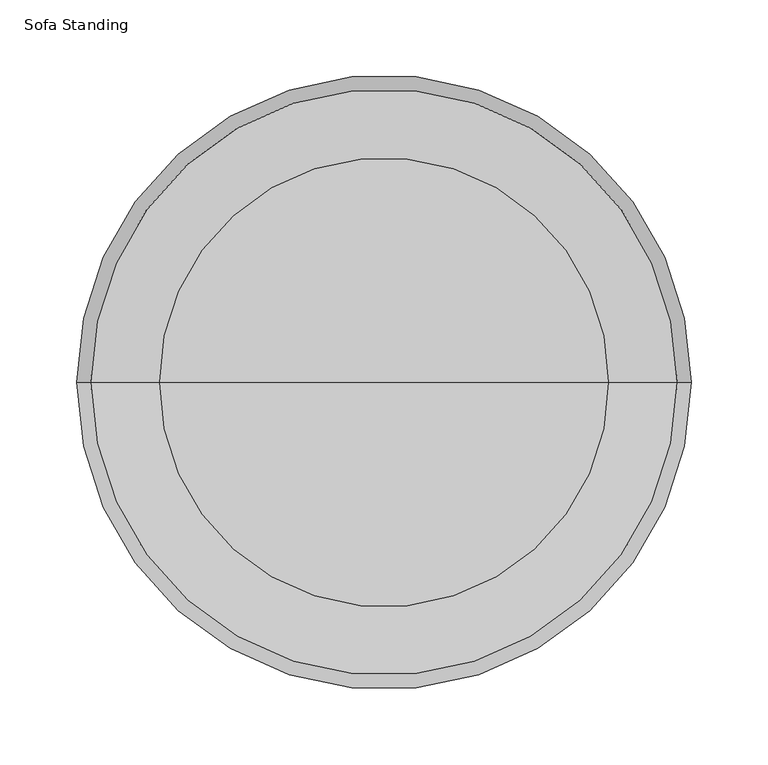
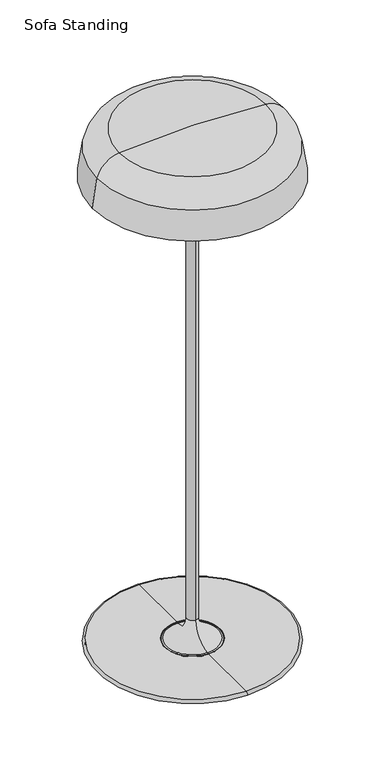
"""IFC4 building model written with IfcOpenShell, lengths in millimetres: light fixture geometry, Sofa Standing."""

from ifc_helpers import new_model, si_unit, point, frame, frame_2d, origin, origin_with_axes, place, context, project, spatial, polyline, circle_curve, ellipse_curve, trimmed, segment, composite_curve, outline, extrude, source, transform, mapped, element, save
from ifc_brep_helpers import plane_surface, cylinder_surface, revolved_surface, advanced_brep


def sofa_standing_eaf169b5(model_context):
    return source(origin(), model_context, "Body", "SolidModel", [
        advanced_brep(
        [(199.9486931, 0.0, 987.2970524), (-200.1013069, 0.0, 987.2970524), (-191.022028, 0.0, 1047.0025311), (190.8694141, 0.0, 1047.0025311), (197.3636976, 0.0, 987.2970524), (-197.5163114, 0.0, 987.2970524), (188.3624242, 0.0, 1046.3944283), (-188.515038, 0.0, 1046.3944283), (145.8324053, 0.0, 1083.0529663), (-145.9850191, 0.0, 1083.0529663), (-0.0763069, 0.0, 1089.619392), (146.0641267, 0.0, 1085.6222255), (-146.2167405, 0.0, 1085.6222255), (-0.0763069, 0.0, 1092.1990795)],
        [
            (0, 1, circle_curve(frame((-0.0763069, 0.0, 987.2970524), z_axis=(0.0, 0.0, 1.0), x_axis=(-1.0, 0.0, 0.0)), 200.025)),
            (1, 2, circle_curve(frame((146.4885159, 0.0, 965.1349834), z_axis=(0.0, 1.0, 0.0), x_axis=(1.0, 0.0, 0.0)), 347.2976571)),
            (2, 3, circle_curve(frame((-0.0763069, 0.0, 1047.0025311), z_axis=(0.0, 0.0, -1.0), x_axis=(-1.0, 0.0, 0.0)), 190.945721)),
            (3, 0, circle_curve(frame((-146.6411298, 0.0, 965.1349834), z_axis=(0.0, 1.0, 0.0), x_axis=(-1.0, 0.0, 0.0)), 347.2976571)),
            (1, 0, circle_curve(frame((-0.0763069, 0.0, 987.2970524), z_axis=(0.0, 0.0, 1.0), x_axis=(-1.0, 0.0, 0.0)), 200.025)),
            (3, 2, circle_curve(frame((-0.0763069, 0.0, 1047.0025311), z_axis=(0.0, 0.0, -1.0), x_axis=(-1.0, 0.0, 0.0)), 190.945721)),
            (4, 5, circle_curve(frame((-0.0763069, 0.0, 987.2970524), z_axis=(0.0, 0.0, 1.0), x_axis=(-1.0, 0.0, 0.0)), 197.4400045)),
            (5, 1),
            (0, 4),
            (5, 4, circle_curve(frame((-0.0763069, 0.0, 987.2970524), z_axis=(0.0, 0.0, 1.0), x_axis=(-1.0, 0.0, 0.0)), 197.4400045)),
            (6, 7, circle_curve(frame((-0.0763069, 0.0, 1046.3944283), z_axis=(0.0, 0.0, 1.0), x_axis=(-1.0, 0.0, 0.0)), 188.4387311)),
            (7, 5, circle_curve(frame((146.4885159, 0.0, 965.1349834), z_axis=(0.0, -1.0, 0.0), x_axis=(1.0, 0.0, 0.0)), 344.7179696)),
            (4, 6, circle_curve(frame((-146.6411298, 0.0, 965.1349834), z_axis=(0.0, -1.0, 0.0), x_axis=(-1.0, 0.0, 0.0)), 344.7179696)),
            (7, 6, circle_curve(frame((-0.0763069, 0.0, 1046.3944283), z_axis=(0.0, 0.0, 1.0), x_axis=(-1.0, 0.0, 0.0)), 188.4387311)),
            (8, 9, circle_curve(frame((-0.0763069, 0.0, 1083.0529663), z_axis=(0.0, 0.0, 1.0), x_axis=(-1.0, 0.0, 0.0)), 145.9087122)),
            (9, 7, circle_curve(frame((-141.6536108, 0.0, 1035.027583), z_axis=(0.0, -1.0, 0.0), x_axis=(1.0, 0.0, 0.0)), 48.2203125)),
            (6, 8, circle_curve(frame((141.5009969, 0.0, 1035.027583), z_axis=(0.0, -1.0, 0.0), x_axis=(-1.0, 0.0, 0.0)), 48.2203125)),
            (9, 8, circle_curve(frame((-0.0763069, 0.0, 1083.0529663), z_axis=(0.0, 0.0, 1.0), x_axis=(-1.0, 0.0, 0.0)), 145.9087122)),
            (10, 9, circle_curve(frame((-0.0763069, 0.0, -534.7399711), z_axis=(0.0, -1.0, 0.0), x_axis=(1.0, 0.0, 0.0)), 1624.3593631)),
            (8, 10, circle_curve(frame((-0.0763069, 0.0, -534.7399711), z_axis=(0.0, -1.0, 0.0), x_axis=(-1.0, 0.0, 0.0)), 1624.3593631)),
            (11, 12, circle_curve(frame((-0.0763069, 0.0, 1085.6222255), z_axis=(0.0, 0.0, 1.0), x_axis=(-1.0, 0.0, 0.0)), 146.1404336)),
            (12, 13, circle_curve(frame((-0.0763069, 0.0, -534.7399711), z_axis=(0.0, 1.0, 0.0), x_axis=(1.0, 0.0, 0.0)), 1626.9390506)),
            (13, 11, circle_curve(frame((-0.0763069, 0.0, -534.7399711), z_axis=(0.0, 1.0, 0.0), x_axis=(-1.0, 0.0, 0.0)), 1626.9390506)),
            (12, 11, circle_curve(frame((-0.0763069, 0.0, 1085.6222255), z_axis=(0.0, 0.0, 1.0), x_axis=(-1.0, 0.0, 0.0)), 146.1404336)),
            (2, 12, circle_curve(frame((-141.6536108, 0.0, 1035.027583), z_axis=(0.0, 1.0, 0.0), x_axis=(1.0, 0.0, 0.0)), 50.8)),
            (11, 3, circle_curve(frame((141.5009969, 0.0, 1035.027583), z_axis=(0.0, 1.0, 0.0), x_axis=(-1.0, 0.0, 0.0)), 50.8)),
        ],
        [
            revolved_surface(trimmed(ellipse_curve(frame((146.4885159, 0.0, 965.1349834), z_axis=(0.0, -1.0, 0.0), x_axis=(1.0, 0.0, 0.0)), 347.2976571, 347.2976571), [point((-191.022028, 0.0, 1047.0025311))], [point((-200.1013069, 0.0, 987.2970524))], True, "CARTESIAN"), (-0.0763069, 0.0, 1092.1990795), (0.0, 0.0, -1.0)),
            plane_surface(frame((-0.0763069, 0.0, 987.2970524), z_axis=(0.0, 0.0, -1.0), x_axis=(-1.0, 0.0, 0.0))),
            revolved_surface(trimmed(ellipse_curve(frame((146.4885159, 0.0, 965.1349834), z_axis=(0.0, 1.0, 0.0), x_axis=(1.0, 0.0, 0.0)), 344.7179696, 344.7179696), [point((-197.5163114, 0.0, 987.2970524))], [point((-188.515038, 0.0, 1046.3944283))], True, "CARTESIAN"), (-0.0763069, 0.0, 1092.1990795), (0.0, 0.0, -1.0)),
            revolved_surface(trimmed(ellipse_curve(frame((-141.6536108, 0.0, 1035.027583), z_axis=(0.0, 1.0, 0.0), x_axis=(1.0, 0.0, 0.0)), 48.2203125, 48.2203125), [point((-188.515038, 0.0, 1046.3944283))], [point((-145.9850191, 0.0, 1083.0529663))], True, "CARTESIAN"), (-0.0763069, 0.0, 1092.1990795), (0.0, 0.0, -1.0)),
            revolved_surface(trimmed(ellipse_curve(frame((-0.0763069, 0.0, -534.7399711), z_axis=(0.0, 1.0, 0.0), x_axis=(1.0, 0.0, 0.0)), 1624.3593631, 1624.3593631), [point((-145.9850191, 0.0, 1083.0529663))], [point((-0.0763069, 0.0, 1089.619392))], True, "CARTESIAN"), (-0.0763069, 0.0, 1092.1990795), (0.0, 0.0, -1.0)),
            revolved_surface(trimmed(ellipse_curve(frame((-0.0763069, 0.0, -534.7399711), z_axis=(0.0, -1.0, 0.0), x_axis=(1.0, 0.0, 0.0)), 1626.9390506, 1626.9390506), [point((-0.0763069, 0.0, 1092.1990795))], [point((-146.2167405, 0.0, 1085.6222255))], True, "CARTESIAN"), (-0.0763069, 0.0, 1092.1990795), (0.0, 0.0, -1.0)),
            revolved_surface(trimmed(ellipse_curve(frame((-141.6536108, 0.0, 1035.027583), z_axis=(0.0, -1.0, 0.0), x_axis=(1.0, 0.0, 0.0)), 50.8, 50.8), [point((-146.2167405, 0.0, 1085.6222255))], [point((-191.022028, 0.0, 1047.0025311))], True, "CARTESIAN"), (-0.0763069, 0.0, 1092.1990795), (0.0, 0.0, -1.0)),
        ],
        [
            (0, [[1, 2, 3, 4]]),
            (0, [[5, -4, 6, -2]]),
            (1, [[7, 8, -1, 9]]),
            (1, [[10, -9, -5, -8]]),
            (2, [[11, 12, -7, 13]]),
            (2, [[14, -13, -10, -12]]),
            (3, [[15, 16, -11, 17]]),
            (3, [[18, -17, -14, -16]]),
            (4, [[19, -15, 20]]),
            (4, [[-20, -18, -19]]),
            (5, [[21, 22, 23]]),
            (5, [[24, -23, -22]]),
            (6, [[-3, 25, -21, 26]]),
            (6, [[-6, -26, -24, -25]]),
        ],
    ),
        advanced_brep(
        [(-0.0763069, -196.9875458, 993.4240269), (-0.0763069, 196.9875458, 993.4240269), (-0.0763069, 0.0, 987.2970524), (-0.0763069, -196.7671941, 995.9949868), (-0.0763069, 196.7671941, 995.9949868), (-0.0763069, 0.0, 989.8767399)],
        [
            (0, 1, circle_curve(frame((-0.0763069, 0.0, 993.4240269), z_axis=(0.0, 0.0, -1.0), x_axis=(0.0, 1.0, 0.0)), 196.9875458)),
            (1, 2, circle_curve(frame((-0.0763069, 0.1915666, 4150.8617503), z_axis=(-1.0, 0.0, 0.0), x_axis=(0.0, -1.0, 0.0)), 3163.5647037)),
            (2, 0, circle_curve(frame((-0.0763069, -0.1915666, 4150.8617503), z_axis=(-1.0, 0.0, 0.0), x_axis=(0.0, 1.0, 0.0)), 3163.5647037)),
            (1, 0, circle_curve(frame((-0.0763069, 0.0, 993.4240269), z_axis=(0.0, 0.0, -1.0), x_axis=(0.0, 1.0, 0.0)), 196.9875458)),
            (3, 4, circle_curve(frame((-0.0763069, 0.0, 995.9949868), z_axis=(0.0, 0.0, -1.0), x_axis=(0.0, 1.0, 0.0)), 196.7671941)),
            (4, 1),
            (0, 3),
            (4, 3, circle_curve(frame((-0.0763069, 0.0, 995.9949868), z_axis=(0.0, 0.0, -1.0), x_axis=(0.0, 1.0, 0.0)), 196.7671941)),
            (5, 4, circle_curve(frame((-0.0763069, 0.1915666, 4150.8617503), z_axis=(1.0, 0.0, 0.0), x_axis=(0.0, -1.0, 0.0)), 3160.9850162)),
            (3, 5, circle_curve(frame((-0.0763069, -0.1915666, 4150.8617503), z_axis=(1.0, 0.0, 0.0), x_axis=(0.0, 1.0, 0.0)), 3160.9850162)),
        ],
        [
            revolved_surface(trimmed(ellipse_curve(frame((-0.0763069, 0.1915666, 4150.8617503), z_axis=(1.0, 0.0, 0.0), x_axis=(0.0, -1.0, 0.0)), 3163.5647037, 3163.5647037), [point((-0.0763069, 0.0, 987.2970524))], [point((-0.0763069, 196.9875458, 993.4240269))], True, "CARTESIAN"), (-0.0763069, 0.0, 989.8767399), (0.0, 0.0, 1.0)),
            revolved_surface(polyline([(-0.0763069, 196.9875458, 993.4240269), (-0.0763069, 196.7671941, 995.9949868)]), (-0.0763069, 0.0, 989.8767399), (0.0, 0.0, 1.0)),
            revolved_surface(trimmed(ellipse_curve(frame((-0.0763069, 0.1915666, 4150.8617503), z_axis=(-1.0, 0.0, 0.0), x_axis=(0.0, -1.0, 0.0)), 3160.9850162, 3160.9850162), [point((-0.0763069, 196.7671941, 995.9949868))], [point((-0.0763069, 0.0, 989.8767399))], True, "CARTESIAN"), (-0.0763069, 0.0, 989.8767399), (0.0, 0.0, 1.0)),
        ],
        [
            (0, [[1, 2, 3]]),
            (0, [[4, -3, -2]]),
            (1, [[5, 6, -1, 7]]),
            (1, [[8, -7, -4, -6]]),
            (2, [[9, -5, 10]]),
            (2, [[-10, -8, -9]]),
        ],
    ),
        advanced_brep(
        [(0.0, -54.6099979, 3.2220829), (0.0, 54.6099979, 3.2220829), (0.0, 54.6099979, 8.7629995), (0.0, -54.6099979, 8.7629995), (0.0, -187.198, 3.2220829), (0.0, 187.198, 3.2220829), (0.0, -55.8799979, 10.0329995), (0.0, 55.8799979, 10.0329995), (0.0, 185.4242158, 10.0329995), (0.0, -185.4242158, 10.0329995), (0.0, -187.198, 4.7460829), (0.0, 187.198, 4.7460829), (0.0, -190.5, 4.7460829), (0.0, 190.5, 4.7460829)],
        [
            (0, 1, circle_curve(frame((0.0, 0.0, 3.2220829), z_axis=(0.0, 0.0, -1.0), x_axis=(0.0, 1.0, 0.0)), 54.6099979)),
            (1, 2),
            (2, 3, circle_curve(frame((0.0, 0.0, 8.7629995), z_axis=(0.0, 0.0, 1.0), x_axis=(0.0, 1.0, 0.0)), 54.6099979)),
            (3, 0),
            (1, 0, circle_curve(frame((0.0, 0.0, 3.2220829), z_axis=(0.0, 0.0, -1.0), x_axis=(0.0, 1.0, 0.0)), 54.6099979)),
            (3, 2, circle_curve(frame((0.0, 0.0, 8.7629995), z_axis=(0.0, 0.0, 1.0), x_axis=(0.0, 1.0, 0.0)), 54.6099979)),
            (4, 5, circle_curve(frame((0.0, 0.0, 3.2220829), z_axis=(0.0, 0.0, -1.0), x_axis=(0.0, 1.0, 0.0)), 187.198)),
            (5, 1),
            (0, 4),
            (5, 4, circle_curve(frame((0.0, 0.0, 3.2220829), z_axis=(0.0, 0.0, -1.0), x_axis=(0.0, 1.0, 0.0)), 187.198)),
            (6, 7, circle_curve(frame((0.0, 0.0, 10.0329995), z_axis=(0.0, 0.0, -1.0), x_axis=(0.0, 1.0, 0.0)), 55.8799979)),
            (7, 8),
            (8, 9, circle_curve(frame((0.0, 0.0, 10.0329995), z_axis=(0.0, 0.0, 1.0), x_axis=(0.0, 1.0, 0.0)), 185.4242158)),
            (9, 6),
            (7, 6, circle_curve(frame((0.0, 0.0, 10.0329995), z_axis=(0.0, 0.0, -1.0), x_axis=(0.0, 1.0, 0.0)), 55.8799979)),
            (9, 8, circle_curve(frame((0.0, 0.0, 10.0329995), z_axis=(0.0, 0.0, 1.0), x_axis=(0.0, 1.0, 0.0)), 185.4242158)),
            (10, 11, circle_curve(frame((0.0, 0.0, 4.7460829), z_axis=(0.0, 0.0, -1.0), x_axis=(0.0, 1.0, 0.0)), 187.198)),
            (11, 5),
            (4, 10),
            (11, 10, circle_curve(frame((0.0, 0.0, 4.7460829), z_axis=(0.0, 0.0, -1.0), x_axis=(0.0, 1.0, 0.0)), 187.198)),
            (12, 13, circle_curve(frame((0.0, 0.0, 4.7460829), z_axis=(0.0, 0.0, -1.0), x_axis=(0.0, 1.0, 0.0)), 190.5)),
            (13, 11),
            (10, 12),
            (13, 12, circle_curve(frame((0.0, 0.0, 4.7460829), z_axis=(0.0, 0.0, -1.0), x_axis=(0.0, 1.0, 0.0)), 190.5)),
            (8, 13, circle_curve(frame((0.0, 185.4242158, 4.9529995), z_axis=(-1.0, 0.0, 0.0), x_axis=(0.0, 1.0, 0.0)), 5.08)),
            (12, 9, circle_curve(frame((0.0, -185.4242158, 4.9529995), z_axis=(-1.0, 0.0, 0.0), x_axis=(0.0, -1.0, 0.0)), 5.08)),
            (2, 7, circle_curve(frame((0.0, 55.8799979, 8.7629995), z_axis=(-1.0, 0.0, 0.0), x_axis=(0.0, 1.0, 0.0)), 1.27)),
            (6, 3, circle_curve(frame((0.0, -55.8799979, 8.7629995), z_axis=(-1.0, 0.0, 0.0), x_axis=(0.0, -1.0, 0.0)), 1.27)),
        ],
        [
            revolved_surface(polyline([(0.0, 54.6099979, 8.7629995), (0.0, 54.6099979, 3.2220829)]), (0.0, 0.0, 3.1750001), (0.0, 0.0, 1.0)),
            plane_surface(frame((0.0, 0.0, 3.2220829), z_axis=(0.0, 0.0, -1.0), x_axis=(0.0, 1.0, 0.0))),
            plane_surface(frame((0.0, 0.0, 10.0329995), z_axis=(0.0, 0.0, 1.0), x_axis=(0.0, 1.0, 0.0))),
            cylinder_surface(frame((0.0, 0.0, 3.1750001), z_axis=(0.0, 0.0, 1.0), x_axis=(0.0, 1.0, 0.0)), 187.198),
            plane_surface(frame((0.0, 0.0, 4.7460829), z_axis=(0.0, 0.0, -1.0), x_axis=(0.0, 1.0, 0.0))),
            revolved_surface(trimmed(ellipse_curve(frame((0.0, 185.4242158, 4.9529995), z_axis=(1.0, 0.0, 0.0), x_axis=(0.0, 1.0, 0.0)), 5.08, 5.08), [point((0.0, 190.5, 4.7460829))], [point((0.0, 185.4242158, 10.0329995))], True, "CARTESIAN"), (0.0, 0.0, 3.1750001), (0.0, 0.0, 1.0)),
            revolved_surface(trimmed(ellipse_curve(frame((0.0, 55.8799979, 8.7629995), z_axis=(1.0, 0.0, 0.0), x_axis=(0.0, 1.0, 0.0)), 1.27, 1.27), [point((0.0, 55.8799979, 10.0329995))], [point((0.0, 54.6099979, 8.7629995))], True, "CARTESIAN"), (0.0, 0.0, 3.1750001), (0.0, 0.0, 1.0)),
        ],
        [
            (0, [[1, 2, 3, 4]]),
            (0, [[5, -4, 6, -2]]),
            (1, [[7, 8, -1, 9]]),
            (1, [[10, -9, -5, -8]]),
            (2, [[11, 12, 13, 14]]),
            (2, [[15, -14, 16, -12]]),
            (3, [[17, 18, -7, 19]]),
            (3, [[20, -19, -10, -18]]),
            (4, [[21, 22, -17, 23]]),
            (4, [[24, -23, -20, -22]]),
            (5, [[-13, 25, -21, 26]]),
            (5, [[-16, -26, -24, -25]]),
            (6, [[-3, 27, -11, 28]]),
            (6, [[-6, -28, -15, -27]]),
        ],
    ),
        advanced_brep(
        [(0.0, -54.6099979, 6.9822538), (0.0, 54.6099979, 6.9822538), (0.0, 54.6099979, 3.1750001), (0.0, -54.6099979, 3.1750001), (0.0, -51.6661089, 10.1488313), (0.0, 51.6661089, 10.1488313), (0.0, -10.922, 53.975), (0.0, 10.922, 53.975), (0.0, -10.922, 982.9790384), (0.0, 10.922, 982.9790384), (0.0, -26.0350001, 984.5633932), (0.0, 26.0350002, 984.5633932), (0.0, 12.7000006, 982.9790384), (0.0, -12.7000006, 982.9790384), (0.0, -26.0350001, 987.2970524), (0.0, 26.0350002, 987.2970524), (0.0, 0.0, 987.2970524), (0.0, 0.0, 3.1750001)],
        [
            (0, 1, circle_curve(frame((0.0, 0.0, 6.9822538), z_axis=(0.0, 0.0, -1.0), x_axis=(0.0, 1.0, 0.0)), 54.6099979)),
            (1, 2),
            (2, 3, circle_curve(frame((0.0, 0.0, 3.1750001), z_axis=(0.0, 0.0, 1.0), x_axis=(0.0, 1.0, 0.0)), 54.6099979)),
            (3, 0),
            (1, 0, circle_curve(frame((0.0, 0.0, 6.9822538), z_axis=(0.0, 0.0, -1.0), x_axis=(0.0, 1.0, 0.0)), 54.6099979)),
            (3, 2, circle_curve(frame((0.0, 0.0, 3.1750001), z_axis=(0.0, 0.0, 1.0), x_axis=(0.0, 1.0, 0.0)), 54.6099979)),
            (4, 5, circle_curve(frame((0.0, 0.0, 10.1488313), z_axis=(0.0, 0.0, -1.0), x_axis=(0.0, 1.0, 0.0)), 51.6661089)),
            (5, 1, circle_curve(frame((0.0, 51.4349979, 6.9822538), z_axis=(-1.0, 0.0, 0.0), x_axis=(0.0, 1.0, 0.0)), 3.175)),
            (0, 4, circle_curve(frame((0.0, -51.4349979, 6.9822538), z_axis=(-1.0, 0.0, 0.0), x_axis=(0.0, -1.0, 0.0)), 3.175)),
            (5, 4, circle_curve(frame((0.0, 0.0, 10.1488313), z_axis=(0.0, 0.0, -1.0), x_axis=(0.0, 1.0, 0.0)), 51.6661089)),
            (6, 7, circle_curve(frame((0.0, 0.0, 53.975), z_axis=(0.0, 0.0, -1.0), x_axis=(0.0, 1.0, 0.0)), 10.922)),
            (7, 5, circle_curve(frame((0.0, 54.8647389, 53.975), z_axis=(1.0, 0.0, 0.0), x_axis=(0.0, 1.0, 0.0)), 43.9427389)),
            (4, 6, circle_curve(frame((0.0, -54.8647389, 53.975), z_axis=(1.0, 0.0, 0.0), x_axis=(0.0, -1.0, 0.0)), 43.9427389)),
            (7, 6, circle_curve(frame((0.0, 0.0, 53.975), z_axis=(0.0, 0.0, -1.0), x_axis=(0.0, 1.0, 0.0)), 10.922)),
            (8, 9, circle_curve(frame((0.0, 0.0, 982.9790384), z_axis=(0.0, 0.0, -1.0), x_axis=(0.0, 1.0, 0.0)), 10.922)),
            (9, 7),
            (6, 8),
            (9, 8, circle_curve(frame((0.0, 0.0, 982.9790384), z_axis=(0.0, 0.0, -1.0), x_axis=(0.0, 1.0, 0.0)), 10.922)),
            (10, 11, circle_curve(frame((0.0, 0.0, 984.5633932), z_axis=(0.0, 0.0, -1.0), x_axis=(0.0, 1.0, 0.0)), 26.0350001)),
            (11, 12),
            (12, 13, circle_curve(frame((0.0, 0.0, 982.9790384), z_axis=(0.0, 0.0, 1.0), x_axis=(0.0, 1.0, 0.0)), 12.7000006)),
            (13, 10),
            (11, 10, circle_curve(frame((0.0, 0.0, 984.5633932), z_axis=(0.0, 0.0, -1.0), x_axis=(0.0, 1.0, 0.0)), 26.0350001)),
            (13, 12, circle_curve(frame((0.0, 0.0, 982.9790384), z_axis=(0.0, 0.0, 1.0), x_axis=(0.0, 1.0, 0.0)), 12.7000006)),
            (14, 15, circle_curve(frame((0.0, 0.0, 987.2970524), z_axis=(0.0, 0.0, -1.0), x_axis=(0.0, 1.0, 0.0)), 26.0350001)),
            (15, 11),
            (10, 14),
            (15, 14, circle_curve(frame((0.0, 0.0, 987.2970524), z_axis=(0.0, 0.0, -1.0), x_axis=(0.0, 1.0, 0.0)), 26.0350001)),
            (16, 15),
            (14, 16),
            (2, 17),
            (17, 3),
            (12, 9),
            (8, 13),
        ],
        [
            cylinder_surface(frame((0.0, 0.0, 3.1750001), z_axis=(0.0, 0.0, 1.0), x_axis=(0.0, 1.0, 0.0)), 54.6099979),
            revolved_surface(trimmed(ellipse_curve(frame((0.0, 51.4349979, 6.9822538), z_axis=(1.0, 0.0, 0.0), x_axis=(0.0, 1.0, 0.0)), 3.175, 3.175), [point((0.0, 54.6099979, 6.9822538))], [point((0.0, 51.6661089, 10.1488313))], True, "CARTESIAN"), (0.0, 0.0, 3.1750001), (0.0, 0.0, 1.0)),
            revolved_surface(trimmed(ellipse_curve(frame((0.0, 54.8647389, 53.975), z_axis=(-1.0, 0.0, 0.0), x_axis=(0.0, 1.0, 0.0)), 43.9427389, 43.9427389), [point((0.0, 51.6661089, 10.1488313))], [point((0.0, 10.922, 53.975))], True, "CARTESIAN"), (0.0, 0.0, 3.1750001), (0.0, 0.0, 1.0)),
            cylinder_surface(frame((0.0, 0.0, 3.1750001), z_axis=(0.0, 0.0, 1.0), x_axis=(0.0, 1.0, 0.0)), 10.922),
            revolved_surface(polyline([(0.0, 12.7000006, 982.9790384), (0.0, 26.0350002, 984.5633932)]), (0.0, 0.0, 3.1750001), (0.0, 0.0, 1.0)),
            cylinder_surface(frame((0.0, 0.0, 3.1750001), z_axis=(0.0, 0.0, 1.0), x_axis=(0.0, 1.0, 0.0)), 26.0350001),
            plane_surface(frame((0.0, 0.0, 987.2970524), z_axis=(0.0, 0.0, 1.0), x_axis=(0.0, 1.0, 0.0))),
            plane_surface(frame((0.0, 0.0, 3.1750001), z_axis=(0.0, 0.0, -1.0), x_axis=(0.0, 1.0, 0.0))),
            plane_surface(frame((0.0, 0.0, 982.9790384), z_axis=(0.0, 0.0, -1.0), x_axis=(0.0, 1.0, 0.0))),
        ],
        [
            (0, [[1, 2, 3, 4]]),
            (0, [[5, -4, 6, -2]]),
            (1, [[7, 8, -1, 9]]),
            (1, [[10, -9, -5, -8]]),
            (2, [[11, 12, -7, 13]]),
            (2, [[14, -13, -10, -12]]),
            (3, [[15, 16, -11, 17]]),
            (3, [[18, -17, -14, -16]]),
            (4, [[19, 20, 21, 22]]),
            (4, [[23, -22, 24, -20]]),
            (5, [[25, 26, -19, 27]]),
            (5, [[28, -27, -23, -26]]),
            (6, [[29, -25, 30]]),
            (6, [[-30, -28, -29]]),
            (7, [[-3, 31, 32]]),
            (7, [[-6, -32, -31]]),
            (8, [[-21, 33, -15, 34]]),
            (8, [[-24, -34, -18, -33]]),
        ],
    ),
        extrude(outline(composite_curve([segment(trimmed(circle_curve(frame_2d((-149.3013099, 0.0)), 10.9072285), [point((-138.3940815, 0.0))], [point((-160.2085384, 0.0))], False, "CARTESIAN"), True, "CONTINUOUS"), segment(trimmed(circle_curve(frame_2d((-149.3013099, 0.0)), 10.9072285), [point((-160.2085384, 0.0))], [point((-138.3940815, 0.0))], False, "CARTESIAN"), True, "CONTINUOUS")], self_intersect=False)), origin_with_axes(), (0.0, 0.0, 1.0), 3.1750001),
        extrude(outline(composite_curve([segment(trimmed(circle_curve(frame_2d((-0.0763069, 149.225003)), 10.9220098), [point((10.8457029, 149.225003))], [point((-10.9983167, 149.225003))], False, "CARTESIAN"), True, "CONTINUOUS"), segment(trimmed(circle_curve(frame_2d((-0.0763069, 149.225003)), 10.9220098), [point((-10.9983167, 149.225003))], [point((10.8457029, 149.225003))], False, "CARTESIAN"), True, "CONTINUOUS")], self_intersect=False)), origin_with_axes(), (0.0, 0.0, 1.0), 3.1750001),
        extrude(outline(composite_curve([segment(trimmed(circle_curve(frame_2d((149.1486961, 0.0)), 10.9220098), [point((160.0707059, 0.0))], [point((138.2266863, 0.0))], False, "CARTESIAN"), True, "CONTINUOUS"), segment(trimmed(circle_curve(frame_2d((149.1486961, 0.0)), 10.9220098), [point((138.2266863, 0.0))], [point((160.0707059, 0.0))], False, "CARTESIAN"), True, "CONTINUOUS")], self_intersect=False)), origin_with_axes(), (0.0, 0.0, 1.0), 3.1750001),
        extrude(outline(composite_curve([segment(trimmed(circle_curve(frame_2d((-0.0763069, -149.225003)), 10.9092151), [point((10.8329082, -149.225003))], [point((-10.985522, -149.225003))], False, "CARTESIAN"), True, "CONTINUOUS"), segment(trimmed(circle_curve(frame_2d((-0.0763069, -149.225003)), 10.9092151), [point((-10.985522, -149.225003))], [point((10.8329082, -149.225003))], False, "CARTESIAN"), True, "CONTINUOUS")], self_intersect=False)), origin_with_axes(), (0.0, 0.0, 1.0), 3.1750001),
    ])


if __name__ == "__main__":
    model = new_model("IFC4")
    model_context = context("Model", 3, world=origin())
    ifc_project = project(units=[si_unit("LENGTHUNIT", "METRE", prefix="MILLI")], contexts=[model_context])
    site = spatial("IfcSite", under=ifc_project)
    building = spatial("IfcBuilding", under=site)
    placement = place(None, origin())
    sofa_standing_shape = sofa_standing_eaf169b5(model_context)
    element("IfcLightFixture", 1, ObjectType="Sofa Standing", at=placement, inside=building, context=model_context, shape_type="MappedRepresentation", body=[
        mapped(sofa_standing_shape, transform((0.0, 0.0, 0.0), x_axis=(1.0, 0.0, 0.0), y_axis=(0.0, 1.0, 0.0), z_axis=(0.0, 0.0, 1.0))),
    ])
    save(model, "model.ifc")
